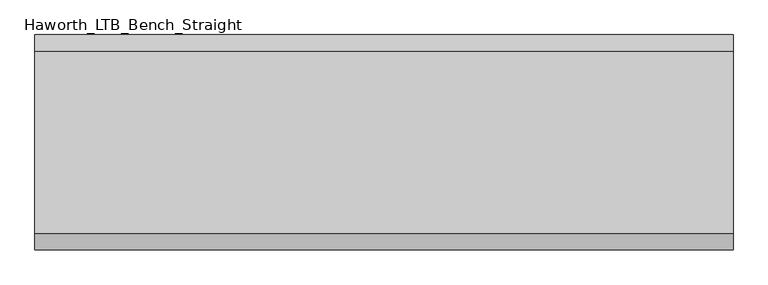
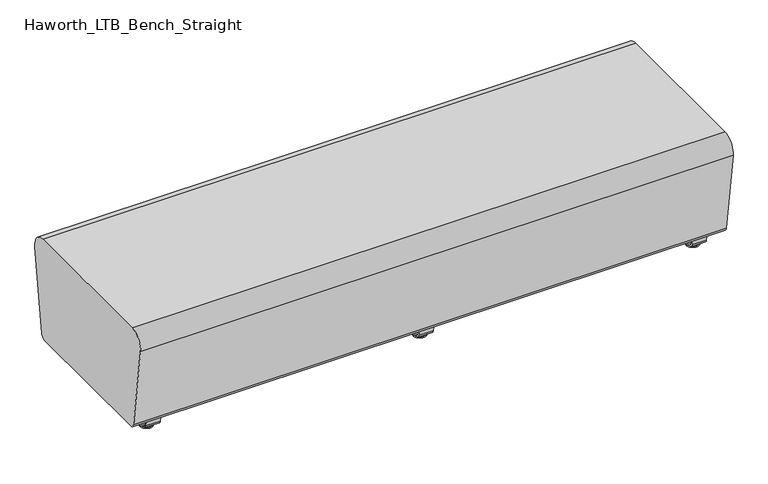
"""IFC4 building model written with IfcOpenShell, lengths in millimetres: furniture geometry, Haworth_LTB_Bench_Straight."""

from ifc_helpers import new_model, si_unit, point, frame, frame_2d, origin, place, context, project, spatial, polyline, circle_curve, ellipse_curve, trimmed, segment, composite_curve, outline, extrude, source, transform, mapped, element, save
from ifc_brep_helpers import plane_surface, cylinder_surface, revolved_surface, advanced_brep


def haworth_ltb_bench_straight_77769190(model_context):
    return source(origin(), model_context, "Body", "SolidModel", [
        advanced_brep(
        [(0.0, -211.0425052, 7.8133431), (0.0, -227.0355515, 7.8133431), (0.0, -223.8015284, 7.8133431), (0.0, -214.2765284, 7.8133431), (0.0, -197.1001513, 4.0775), (0.0, -240.9779054, 4.0775), (0.0, -197.5107026, 0.0), (0.0, -240.5673542, 0.0), (0.0, -219.0390284, 0.0), (0.0, -214.2765284, 50.0000004), (0.0, -223.8015284, 50.0000004), (0.0, -219.0390284, 50.0000004)],
        [
            (0, 1, circle_curve(frame((0.0, -219.0390284, 7.8133431), z_axis=(0.0, 0.0, 1.0), x_axis=(0.0, -1.0, 0.0)), 7.9965232)),
            (1, 2),
            (2, 3, circle_curve(frame((0.0, -219.0390284, 7.8133431), z_axis=(0.0, 0.0, -1.0), x_axis=(0.0, -1.0, 0.0)), 4.7625)),
            (3, 0),
            (1, 0, circle_curve(frame((0.0, -219.0390284, 7.8133431), z_axis=(0.0, 0.0, 1.0), x_axis=(0.0, -1.0, 0.0)), 7.9965232)),
            (3, 2, circle_curve(frame((0.0, -219.0390284, 7.8133431), z_axis=(0.0, 0.0, -1.0), x_axis=(0.0, -1.0, 0.0)), 4.7625)),
            (4, 5, circle_curve(frame((0.0, -219.0390284, 4.0775), z_axis=(0.0, 0.0, 1.0), x_axis=(0.0, -1.0, 0.0)), 21.9388771)),
            (5, 1),
            (0, 4),
            (5, 4, circle_curve(frame((0.0, -219.0390284, 4.0775), z_axis=(0.0, 0.0, 1.0), x_axis=(0.0, -1.0, 0.0)), 21.9388771)),
            (6, 7, circle_curve(frame((0.0, -219.0390284, 0.0), z_axis=(0.0, 0.0, 1.0), x_axis=(0.0, -1.0, 0.0)), 21.5283258)),
            (7, 5, circle_curve(frame((0.0, -240.4405822, 2.0721829), z_axis=(-1.0, 0.0, 0.0), x_axis=(0.0, 1.0, 0.0)), 2.0760571)),
            (4, 6, circle_curve(frame((0.0, -197.6374745, 2.0721829), z_axis=(-1.0, 0.0, 0.0), x_axis=(0.0, -1.0, 0.0)), 2.0760571)),
            (7, 6, circle_curve(frame((0.0, -219.0390284, 0.0), z_axis=(0.0, 0.0, 1.0), x_axis=(0.0, -1.0, 0.0)), 21.5283258)),
            (8, 7),
            (6, 8),
            (9, 10, circle_curve(frame((0.0, -219.0390284, 50.0000004), z_axis=(0.0, 0.0, 1.0), x_axis=(0.0, -1.0, 0.0)), 4.7625)),
            (10, 11),
            (11, 9),
            (10, 9, circle_curve(frame((0.0, -219.0390284, 50.0000004), z_axis=(0.0, 0.0, 1.0), x_axis=(0.0, -1.0, 0.0)), 4.7625)),
            (2, 10),
            (9, 3),
        ],
        [
            plane_surface(frame((0.0, -219.0390284, 7.8133431), z_axis=(0.0, 0.0, 1.0), x_axis=(0.0, -1.0, 0.0))),
            revolved_surface(polyline([(0.0, -227.0355515, 7.8133431), (0.0, -240.9779054, 4.0775)]), (0.0, -219.0390284, 0.0), (0.0, 0.0, -1.0)),
            revolved_surface(trimmed(ellipse_curve(frame((0.0, -240.4405822, 2.0721829), z_axis=(1.0, 0.0, 0.0), x_axis=(0.0, 1.0, 0.0)), 2.0760571, 2.0760571), [point((0.0, -240.9779054, 4.0775))], [point((0.0, -240.5673542, 0.0))], True, "CARTESIAN"), (0.0, -219.0390284, 0.0), (0.0, 0.0, -1.0)),
            plane_surface(frame((0.0, -219.0390284, 0.0), z_axis=(0.0, 0.0, -1.0), x_axis=(0.0, -1.0, 0.0))),
            plane_surface(frame((0.0, -219.0390284, 50.0000004), z_axis=(0.0, 0.0, 1.0), x_axis=(0.0, -1.0, 0.0))),
            cylinder_surface(frame((0.0, -219.0390284, 0.0), z_axis=(0.0, 0.0, -1.0), x_axis=(0.0, -1.0, 0.0)), 4.7625),
        ],
        [
            (0, [[1, 2, 3, 4]]),
            (0, [[5, -4, 6, -2]]),
            (1, [[7, 8, -1, 9]]),
            (1, [[10, -9, -5, -8]]),
            (2, [[11, 12, -7, 13]]),
            (2, [[14, -13, -10, -12]]),
            (3, [[15, -11, 16]]),
            (3, [[-16, -14, -15]]),
            (4, [[17, 18, 19]]),
            (4, [[20, -19, -18]]),
            (5, [[-3, 21, -17, 22]]),
            (5, [[-6, -22, -20, -21]]),
        ],
    ),
        advanced_brep(
        [(0.0, 214.2765284, 7.8133431), (0.0, 223.8015284, 7.8133431), (0.0, 227.0355515, 7.8133431), (0.0, 211.0425052, 7.8133431), (0.0, 240.9779054, 4.0775), (0.0, 197.1001513, 4.0775), (0.0, 240.5673542, 0.0), (0.0, 197.5107026, 0.0), (0.0, 219.0390284, 0.0), (0.0, 219.0390284, 50.0000004), (0.0, 223.8015284, 50.0000004), (0.0, 214.2765284, 50.0000004)],
        [
            (0, 1, circle_curve(frame((0.0, 219.0390284, 7.8133431), z_axis=(0.0, 0.0, -1.0), x_axis=(0.0, 1.0, 0.0)), 4.7625)),
            (1, 2),
            (2, 3, circle_curve(frame((0.0, 219.0390284, 7.8133431), z_axis=(0.0, 0.0, 1.0), x_axis=(0.0, 1.0, 0.0)), 7.9965232)),
            (3, 0),
            (1, 0, circle_curve(frame((0.0, 219.0390284, 7.8133431), z_axis=(0.0, 0.0, -1.0), x_axis=(0.0, 1.0, 0.0)), 4.7625)),
            (3, 2, circle_curve(frame((0.0, 219.0390284, 7.8133431), z_axis=(0.0, 0.0, 1.0), x_axis=(0.0, 1.0, 0.0)), 7.9965232)),
            (2, 4),
            (4, 5, circle_curve(frame((0.0, 219.0390284, 4.0775), z_axis=(0.0, 0.0, 1.0), x_axis=(0.0, 1.0, 0.0)), 21.9388771)),
            (5, 3),
            (5, 4, circle_curve(frame((0.0, 219.0390284, 4.0775), z_axis=(0.0, 0.0, 1.0), x_axis=(0.0, 1.0, 0.0)), 21.9388771)),
            (4, 6, circle_curve(frame((0.0, 240.4405822, 2.0721829), z_axis=(-1.0, 0.0, 0.0), x_axis=(0.0, -1.0, 0.0)), 2.0760571)),
            (6, 7, circle_curve(frame((0.0, 219.0390284, 0.0), z_axis=(0.0, 0.0, 1.0), x_axis=(0.0, 1.0, 0.0)), 21.5283258)),
            (7, 5, circle_curve(frame((0.0, 197.6374745, 2.0721829), z_axis=(-1.0, 0.0, 0.0), x_axis=(0.0, 1.0, 0.0)), 2.0760571)),
            (7, 6, circle_curve(frame((0.0, 219.0390284, 0.0), z_axis=(0.0, 0.0, 1.0), x_axis=(0.0, 1.0, 0.0)), 21.5283258)),
            (6, 8),
            (8, 7),
            (9, 10),
            (10, 11, circle_curve(frame((0.0, 219.0390284, 50.0000004), z_axis=(0.0, 0.0, 1.0), x_axis=(0.0, 1.0, 0.0)), 4.7625)),
            (11, 9),
            (11, 10, circle_curve(frame((0.0, 219.0390284, 50.0000004), z_axis=(0.0, 0.0, 1.0), x_axis=(0.0, 1.0, 0.0)), 4.7625)),
            (10, 1),
            (0, 11),
        ],
        [
            plane_surface(frame((0.0, 219.0390284, 7.8133431), z_axis=(0.0, 0.0, 1.0), x_axis=(0.0, 1.0, 0.0))),
            revolved_surface(polyline([(0.0, 240.9779054, 4.0775), (0.0, 227.0355515, 7.8133431)]), (0.0, 219.0390284, 0.0), (0.0, 0.0, 1.0)),
            revolved_surface(trimmed(ellipse_curve(frame((0.0, 240.4405822, 2.0721829), z_axis=(1.0, 0.0, 0.0), x_axis=(0.0, -1.0, 0.0)), 2.0760571, 2.0760571), [point((0.0, 240.5673542, 0.0))], [point((0.0, 240.9779054, 4.0775))], True, "CARTESIAN"), (0.0, 219.0390284, 0.0), (0.0, 0.0, 1.0)),
            plane_surface(frame((0.0, 219.0390284, 0.0), z_axis=(0.0, 0.0, -1.0), x_axis=(0.0, 1.0, 0.0))),
            plane_surface(frame((0.0, 219.0390284, 50.0000004), z_axis=(0.0, 0.0, 1.0), x_axis=(0.0, 1.0, 0.0))),
            cylinder_surface(frame((0.0, 219.0390284, 0.0), z_axis=(0.0, 0.0, 1.0), x_axis=(0.0, 1.0, 0.0)), 4.7625),
        ],
        [
            (0, [[1, 2, 3, 4]]),
            (0, [[5, -4, 6, -2]]),
            (1, [[-3, 7, 8, 9]]),
            (1, [[-6, -9, 10, -7]]),
            (2, [[-8, 11, 12, 13]]),
            (2, [[-10, -13, 14, -11]]),
            (3, [[-12, 15, 16]]),
            (3, [[-14, -16, -15]]),
            (4, [[17, 18, 19]]),
            (4, [[-19, 20, -17]]),
            (5, [[-18, 21, -1, 22]]),
            (5, [[-20, -22, -5, -21]]),
        ],
    ),
        extrude(outline(composite_curve([segment(polyline([(264.8158944, 62.9950557), (259.8853496, 27.9124042)]), True, "CONTINUOUS"), segment(trimmed(circle_curve(frame_2d((245.0313276, 30.0000007)), 15.000001), [point((259.8853496, 27.9124042))], [point((245.0313276, 14.9999997))], False, "CARTESIAN"), True, "CONTINUOUS"), segment(polyline([(245.0313276, 14.9999997), (-245.0313276, 14.9999997)]), True, "CONTINUOUS"), segment(trimmed(circle_curve(frame_2d((-245.0313276, 30.0000007)), 15.000001), [point((-245.0313276, 14.9999997))], [point((-259.8853496, 27.9124042))], False, "CARTESIAN"), True, "CONTINUOUS"), segment(polyline([(-259.8853496, 27.9124042), (-264.8158944, 62.9950557), (-259.1812615, 63.7869505), (-254.2507241, 28.7043023)]), True, "CONTINUOUS"), segment(trimmed(circle_curve(frame_2d((-245.0313262, 30.0000023)), 9.310002), [point((-254.2507241, 28.7043023))], [point((-245.0313262, 20.6900003))], True, "CARTESIAN"), True, "CONTINUOUS"), segment(polyline([(-245.0313262, 20.6900003), (245.0313262, 20.6900003)]), True, "CONTINUOUS"), segment(trimmed(circle_curve(frame_2d((245.0313262, 30.0000023)), 9.310002), [point((245.0313262, 20.6900003))], [point((254.2507241, 28.7043023))], True, "CARTESIAN"), True, "CONTINUOUS"), segment(polyline([(254.2507241, 28.7043023), (259.1812615, 63.7869505), (264.8158944, 62.9950557)]), True, "CONTINUOUS")], self_intersect=False)), frame((-25.4, 0.0, 0.0), z_axis=(1.0, 0.0, 0.0), x_axis=(0.0, 1.0, 0.0)), (0.0, 0.0, 1.0), 50.8),
        advanced_brep(
        [(971.6045358, -211.0425052, 7.8133431), (971.6045358, -227.0355515, 7.8133431), (971.6045358, -223.8015284, 7.8133431), (971.6045358, -214.2765284, 7.8133431), (971.6045358, -197.1001513, 4.0775), (971.6045358, -240.9779054, 4.0775), (971.6045358, -197.5107026, 0.0), (971.6045358, -240.5673542, 0.0), (971.6045358, -219.0390284, 0.0), (971.6045358, -214.2765284, 50.0000004), (971.6045358, -223.8015284, 50.0000004), (971.6045358, -219.0390284, 50.0000004)],
        [
            (0, 1, circle_curve(frame((971.6045358, -219.0390284, 7.8133431), z_axis=(0.0, 0.0, 1.0), x_axis=(0.0, -1.0, 0.0)), 7.9965232)),
            (1, 2),
            (2, 3, circle_curve(frame((971.6045358, -219.0390284, 7.8133431), z_axis=(0.0, 0.0, -1.0), x_axis=(0.0, -1.0, 0.0)), 4.7625)),
            (3, 0),
            (1, 0, circle_curve(frame((971.6045358, -219.0390284, 7.8133431), z_axis=(0.0, 0.0, 1.0), x_axis=(0.0, -1.0, 0.0)), 7.9965232)),
            (3, 2, circle_curve(frame((971.6045358, -219.0390284, 7.8133431), z_axis=(0.0, 0.0, -1.0), x_axis=(0.0, -1.0, 0.0)), 4.7625)),
            (4, 5, circle_curve(frame((971.6045358, -219.0390284, 4.0775), z_axis=(0.0, 0.0, 1.0), x_axis=(0.0, -1.0, 0.0)), 21.9388771)),
            (5, 1),
            (0, 4),
            (5, 4, circle_curve(frame((971.6045358, -219.0390284, 4.0775), z_axis=(0.0, 0.0, 1.0), x_axis=(0.0, -1.0, 0.0)), 21.9388771)),
            (6, 7, circle_curve(frame((971.6045358, -219.0390284, 0.0), z_axis=(0.0, 0.0, 1.0), x_axis=(0.0, -1.0, 0.0)), 21.5283258)),
            (7, 5, circle_curve(frame((971.6045358, -240.4405822, 2.0721829), z_axis=(-1.0, 0.0, 0.0), x_axis=(0.0, 1.0, 0.0)), 2.0760571)),
            (4, 6, circle_curve(frame((971.6045358, -197.6374745, 2.0721829), z_axis=(-1.0, 0.0, 0.0), x_axis=(0.0, -1.0, 0.0)), 2.0760571)),
            (7, 6, circle_curve(frame((971.6045358, -219.0390284, 0.0), z_axis=(0.0, 0.0, 1.0), x_axis=(0.0, -1.0, 0.0)), 21.5283258)),
            (8, 7),
            (6, 8),
            (9, 10, circle_curve(frame((971.6045358, -219.0390284, 50.0000004), z_axis=(0.0, 0.0, 1.0), x_axis=(0.0, -1.0, 0.0)), 4.7625)),
            (10, 11),
            (11, 9),
            (10, 9, circle_curve(frame((971.6045358, -219.0390284, 50.0000004), z_axis=(0.0, 0.0, 1.0), x_axis=(0.0, -1.0, 0.0)), 4.7625)),
            (2, 10),
            (9, 3),
        ],
        [
            plane_surface(frame((971.6045358, -219.0390284, 7.8133431), z_axis=(0.0, 0.0, 1.0), x_axis=(0.0, -1.0, 0.0))),
            revolved_surface(polyline([(971.6045358, -227.0355515, 7.8133431), (971.6045358, -240.9779054, 4.0775)]), (971.6045358, -219.0390284, 0.0), (0.0, 0.0, -1.0)),
            revolved_surface(trimmed(ellipse_curve(frame((971.6045358, -240.4405822, 2.0721829), z_axis=(1.0, 0.0, 0.0), x_axis=(0.0, 1.0, 0.0)), 2.0760571, 2.0760571), [point((971.6045358, -240.9779054, 4.0775))], [point((971.6045358, -240.5673542, 0.0))], True, "CARTESIAN"), (971.6045358, -219.0390284, 0.0), (0.0, 0.0, -1.0)),
            plane_surface(frame((971.6045358, -219.0390284, 0.0), z_axis=(0.0, 0.0, -1.0), x_axis=(0.0, -1.0, 0.0))),
            plane_surface(frame((971.6045358, -219.0390284, 50.0000004), z_axis=(0.0, 0.0, 1.0), x_axis=(0.0, -1.0, 0.0))),
            cylinder_surface(frame((971.6045358, -219.0390284, 0.0), z_axis=(0.0, 0.0, -1.0), x_axis=(0.0, -1.0, 0.0)), 4.7625),
        ],
        [
            (0, [[1, 2, 3, 4]]),
            (0, [[5, -4, 6, -2]]),
            (1, [[7, 8, -1, 9]]),
            (1, [[10, -9, -5, -8]]),
            (2, [[11, 12, -7, 13]]),
            (2, [[14, -13, -10, -12]]),
            (3, [[15, -11, 16]]),
            (3, [[-16, -14, -15]]),
            (4, [[17, 18, 19]]),
            (4, [[20, -19, -18]]),
            (5, [[-3, 21, -17, 22]]),
            (5, [[-6, -22, -20, -21]]),
        ],
    ),
        advanced_brep(
        [(971.6045358, 214.2765284, 7.8133431), (971.6045358, 223.8015284, 7.8133431), (971.6045358, 227.0355515, 7.8133431), (971.6045358, 211.0425052, 7.8133431), (971.6045358, 240.9779054, 4.0775), (971.6045358, 197.1001513, 4.0775), (971.6045358, 240.5673542, 0.0), (971.6045358, 197.5107026, 0.0), (971.6045358, 219.0390284, 0.0), (971.6045358, 219.0390284, 50.0000004), (971.6045358, 223.8015284, 50.0000004), (971.6045358, 214.2765284, 50.0000004)],
        [
            (0, 1, circle_curve(frame((971.6045358, 219.0390284, 7.8133431), z_axis=(0.0, 0.0, -1.0), x_axis=(0.0, 1.0, 0.0)), 4.7625)),
            (1, 2),
            (2, 3, circle_curve(frame((971.6045358, 219.0390284, 7.8133431), z_axis=(0.0, 0.0, 1.0), x_axis=(0.0, 1.0, 0.0)), 7.9965232)),
            (3, 0),
            (1, 0, circle_curve(frame((971.6045358, 219.0390284, 7.8133431), z_axis=(0.0, 0.0, -1.0), x_axis=(0.0, 1.0, 0.0)), 4.7625)),
            (3, 2, circle_curve(frame((971.6045358, 219.0390284, 7.8133431), z_axis=(0.0, 0.0, 1.0), x_axis=(0.0, 1.0, 0.0)), 7.9965232)),
            (2, 4),
            (4, 5, circle_curve(frame((971.6045358, 219.0390284, 4.0775), z_axis=(0.0, 0.0, 1.0), x_axis=(0.0, 1.0, 0.0)), 21.9388771)),
            (5, 3),
            (5, 4, circle_curve(frame((971.6045358, 219.0390284, 4.0775), z_axis=(0.0, 0.0, 1.0), x_axis=(0.0, 1.0, 0.0)), 21.9388771)),
            (4, 6, circle_curve(frame((971.6045358, 240.4405822, 2.0721829), z_axis=(-1.0, 0.0, 0.0), x_axis=(0.0, -1.0, 0.0)), 2.0760571)),
            (6, 7, circle_curve(frame((971.6045358, 219.0390284, 0.0), z_axis=(0.0, 0.0, 1.0), x_axis=(0.0, 1.0, 0.0)), 21.5283258)),
            (7, 5, circle_curve(frame((971.6045358, 197.6374745, 2.0721829), z_axis=(-1.0, 0.0, 0.0), x_axis=(0.0, 1.0, 0.0)), 2.0760571)),
            (7, 6, circle_curve(frame((971.6045358, 219.0390284, 0.0), z_axis=(0.0, 0.0, 1.0), x_axis=(0.0, 1.0, 0.0)), 21.5283258)),
            (6, 8),
            (8, 7),
            (9, 10),
            (10, 11, circle_curve(frame((971.6045358, 219.0390284, 50.0000004), z_axis=(0.0, 0.0, 1.0), x_axis=(0.0, 1.0, 0.0)), 4.7625)),
            (11, 9),
            (11, 10, circle_curve(frame((971.6045358, 219.0390284, 50.0000004), z_axis=(0.0, 0.0, 1.0), x_axis=(0.0, 1.0, 0.0)), 4.7625)),
            (10, 1),
            (0, 11),
        ],
        [
            plane_surface(frame((971.6045358, 219.0390284, 7.8133431), z_axis=(0.0, 0.0, 1.0), x_axis=(0.0, 1.0, 0.0))),
            revolved_surface(polyline([(971.6045358, 240.9779054, 4.0775), (971.6045358, 227.0355515, 7.8133431)]), (971.6045358, 219.0390284, 0.0), (0.0, 0.0, 1.0)),
            revolved_surface(trimmed(ellipse_curve(frame((971.6045358, 240.4405822, 2.0721829), z_axis=(1.0, 0.0, 0.0), x_axis=(0.0, -1.0, 0.0)), 2.0760571, 2.0760571), [point((971.6045358, 240.5673542, 0.0))], [point((971.6045358, 240.9779054, 4.0775))], True, "CARTESIAN"), (971.6045358, 219.0390284, 0.0), (0.0, 0.0, 1.0)),
            plane_surface(frame((971.6045358, 219.0390284, 0.0), z_axis=(0.0, 0.0, -1.0), x_axis=(0.0, 1.0, 0.0))),
            plane_surface(frame((971.6045358, 219.0390284, 50.0000004), z_axis=(0.0, 0.0, 1.0), x_axis=(0.0, 1.0, 0.0))),
            cylinder_surface(frame((971.6045358, 219.0390284, 0.0), z_axis=(0.0, 0.0, 1.0), x_axis=(0.0, 1.0, 0.0)), 4.7625),
        ],
        [
            (0, [[1, 2, 3, 4]]),
            (0, [[5, -4, 6, -2]]),
            (1, [[-3, 7, 8, 9]]),
            (1, [[-6, -9, 10, -7]]),
            (2, [[-8, 11, 12, 13]]),
            (2, [[-10, -13, 14, -11]]),
            (3, [[-12, 15, 16]]),
            (3, [[-14, -16, -15]]),
            (4, [[17, 18, 19]]),
            (4, [[-19, 20, -17]]),
            (5, [[-18, 21, -1, 22]]),
            (5, [[-20, -22, -5, -21]]),
        ],
    ),
        extrude(outline(composite_curve([segment(polyline([(264.8158944, 62.9950557), (259.8853496, 27.9124042)]), True, "CONTINUOUS"), segment(trimmed(circle_curve(frame_2d((245.0313276, 30.0000007)), 15.000001), [point((259.8853496, 27.9124042))], [point((245.0313276, 14.9999997))], False, "CARTESIAN"), True, "CONTINUOUS"), segment(polyline([(245.0313276, 14.9999997), (-245.0313276, 14.9999997)]), True, "CONTINUOUS"), segment(trimmed(circle_curve(frame_2d((-245.0313276, 30.0000007)), 15.000001), [point((-245.0313276, 14.9999997))], [point((-259.8853496, 27.9124042))], False, "CARTESIAN"), True, "CONTINUOUS"), segment(polyline([(-259.8853496, 27.9124042), (-264.8158944, 62.9950557), (-259.1812615, 63.7869505), (-254.2507241, 28.7043023)]), True, "CONTINUOUS"), segment(trimmed(circle_curve(frame_2d((-245.0313262, 30.0000023)), 9.310002), [point((-254.2507241, 28.7043023))], [point((-245.0313262, 20.6900003))], True, "CARTESIAN"), True, "CONTINUOUS"), segment(polyline([(-245.0313262, 20.6900003), (245.0313262, 20.6900003)]), True, "CONTINUOUS"), segment(trimmed(circle_curve(frame_2d((245.0313262, 30.0000023)), 9.310002), [point((245.0313262, 20.6900003))], [point((254.2507241, 28.7043023))], True, "CARTESIAN"), True, "CONTINUOUS"), segment(polyline([(254.2507241, 28.7043023), (259.1812615, 63.7869505), (264.8158944, 62.9950557)]), True, "CONTINUOUS")], self_intersect=False)), frame((946.2045358, 0.0, 0.0), z_axis=(1.0, 0.0, 0.0), x_axis=(0.0, 1.0, 0.0)), (0.0, 0.0, 1.0), 50.8),
        advanced_brep(
        [(-971.6045358, -214.2765284, 7.8133431), (-971.6045358, -223.8015284, 7.8133431), (-971.6045358, -227.0355515, 7.8133431), (-971.6045358, -211.0425052, 7.8133431), (-971.6045358, -240.9779054, 4.0775), (-971.6045358, -197.1001513, 4.0775), (-971.6045358, -240.5673542, 0.0), (-971.6045358, -197.5107026, 0.0), (-971.6045358, -219.0390284, 0.0), (-971.6045358, -219.0390284, 50.0000004), (-971.6045358, -223.8015284, 50.0000004), (-971.6045358, -214.2765284, 50.0000004)],
        [
            (0, 1, circle_curve(frame((-971.6045358, -219.0390284, 7.8133431), z_axis=(0.0, 0.0, -1.0), x_axis=(0.0, -1.0, 0.0)), 4.7625)),
            (1, 2),
            (2, 3, circle_curve(frame((-971.6045358, -219.0390284, 7.8133431), z_axis=(0.0, 0.0, 1.0), x_axis=(0.0, -1.0, 0.0)), 7.9965232)),
            (3, 0),
            (1, 0, circle_curve(frame((-971.6045358, -219.0390284, 7.8133431), z_axis=(0.0, 0.0, -1.0), x_axis=(0.0, -1.0, 0.0)), 4.7625)),
            (3, 2, circle_curve(frame((-971.6045358, -219.0390284, 7.8133431), z_axis=(0.0, 0.0, 1.0), x_axis=(0.0, -1.0, 0.0)), 7.9965232)),
            (2, 4),
            (4, 5, circle_curve(frame((-971.6045358, -219.0390284, 4.0775), z_axis=(0.0, 0.0, 1.0), x_axis=(0.0, -1.0, 0.0)), 21.9388771)),
            (5, 3),
            (5, 4, circle_curve(frame((-971.6045358, -219.0390284, 4.0775), z_axis=(0.0, 0.0, 1.0), x_axis=(0.0, -1.0, 0.0)), 21.9388771)),
            (4, 6, circle_curve(frame((-971.6045358, -240.4405822, 2.0721829), z_axis=(1.0, 0.0, 0.0), x_axis=(0.0, 1.0, 0.0)), 2.0760571)),
            (6, 7, circle_curve(frame((-971.6045358, -219.0390284, 0.0), z_axis=(0.0, 0.0, 1.0), x_axis=(0.0, -1.0, 0.0)), 21.5283258)),
            (7, 5, circle_curve(frame((-971.6045358, -197.6374745, 2.0721829), z_axis=(1.0, 0.0, 0.0), x_axis=(0.0, -1.0, 0.0)), 2.0760571)),
            (7, 6, circle_curve(frame((-971.6045358, -219.0390284, 0.0), z_axis=(0.0, 0.0, 1.0), x_axis=(0.0, -1.0, 0.0)), 21.5283258)),
            (6, 8),
            (8, 7),
            (9, 10),
            (10, 11, circle_curve(frame((-971.6045358, -219.0390284, 50.0000004), z_axis=(0.0, 0.0, 1.0), x_axis=(0.0, -1.0, 0.0)), 4.7625)),
            (11, 9),
            (11, 10, circle_curve(frame((-971.6045358, -219.0390284, 50.0000004), z_axis=(0.0, 0.0, 1.0), x_axis=(0.0, -1.0, 0.0)), 4.7625)),
            (10, 1),
            (0, 11),
        ],
        [
            plane_surface(frame((-971.6045358, -219.0390284, 7.8133431), z_axis=(0.0, 0.0, 1.0), x_axis=(0.0, -1.0, 0.0))),
            revolved_surface(polyline([(-971.6045358, -240.9779054, 4.0775), (-971.6045358, -227.0355515, 7.8133431)]), (-971.6045358, -219.0390284, 0.0), (0.0, 0.0, 1.0)),
            revolved_surface(trimmed(ellipse_curve(frame((-971.6045358, -240.4405822, 2.0721829), z_axis=(-1.0, 0.0, 0.0), x_axis=(0.0, 1.0, 0.0)), 2.0760571, 2.0760571), [point((-971.6045358, -240.5673542, 0.0))], [point((-971.6045358, -240.9779054, 4.0775))], True, "CARTESIAN"), (-971.6045358, -219.0390284, 0.0), (0.0, 0.0, 1.0)),
            plane_surface(frame((-971.6045358, -219.0390284, 0.0), z_axis=(0.0, 0.0, -1.0), x_axis=(0.0, -1.0, 0.0))),
            plane_surface(frame((-971.6045358, -219.0390284, 50.0000004), z_axis=(0.0, 0.0, 1.0), x_axis=(0.0, -1.0, 0.0))),
            cylinder_surface(frame((-971.6045358, -219.0390284, 0.0), z_axis=(0.0, 0.0, 1.0), x_axis=(0.0, -1.0, 0.0)), 4.7625),
        ],
        [
            (0, [[1, 2, 3, 4]]),
            (0, [[5, -4, 6, -2]]),
            (1, [[-3, 7, 8, 9]]),
            (1, [[-6, -9, 10, -7]]),
            (2, [[-8, 11, 12, 13]]),
            (2, [[-10, -13, 14, -11]]),
            (3, [[-12, 15, 16]]),
            (3, [[-14, -16, -15]]),
            (4, [[17, 18, 19]]),
            (4, [[-19, 20, -17]]),
            (5, [[-18, 21, -1, 22]]),
            (5, [[-20, -22, -5, -21]]),
        ],
    ),
        advanced_brep(
        [(-971.6045358, 211.0425052, 7.8133431), (-971.6045358, 227.0355515, 7.8133431), (-971.6045358, 223.8015284, 7.8133431), (-971.6045358, 214.2765284, 7.8133431), (-971.6045358, 197.1001513, 4.0775), (-971.6045358, 240.9779054, 4.0775), (-971.6045358, 197.5107026, 0.0), (-971.6045358, 240.5673542, 0.0), (-971.6045358, 219.0390284, 0.0), (-971.6045358, 214.2765284, 50.0000004), (-971.6045358, 223.8015284, 50.0000004), (-971.6045358, 219.0390284, 50.0000004)],
        [
            (0, 1, circle_curve(frame((-971.6045358, 219.0390284, 7.8133431), z_axis=(0.0, 0.0, 1.0), x_axis=(0.0, 1.0, 0.0)), 7.9965232)),
            (1, 2),
            (2, 3, circle_curve(frame((-971.6045358, 219.0390284, 7.8133431), z_axis=(0.0, 0.0, -1.0), x_axis=(0.0, 1.0, 0.0)), 4.7625)),
            (3, 0),
            (1, 0, circle_curve(frame((-971.6045358, 219.0390284, 7.8133431), z_axis=(0.0, 0.0, 1.0), x_axis=(0.0, 1.0, 0.0)), 7.9965232)),
            (3, 2, circle_curve(frame((-971.6045358, 219.0390284, 7.8133431), z_axis=(0.0, 0.0, -1.0), x_axis=(0.0, 1.0, 0.0)), 4.7625)),
            (4, 5, circle_curve(frame((-971.6045358, 219.0390284, 4.0775), z_axis=(0.0, 0.0, 1.0), x_axis=(0.0, 1.0, 0.0)), 21.9388771)),
            (5, 1),
            (0, 4),
            (5, 4, circle_curve(frame((-971.6045358, 219.0390284, 4.0775), z_axis=(0.0, 0.0, 1.0), x_axis=(0.0, 1.0, 0.0)), 21.9388771)),
            (6, 7, circle_curve(frame((-971.6045358, 219.0390284, 0.0), z_axis=(0.0, 0.0, 1.0), x_axis=(0.0, 1.0, 0.0)), 21.5283258)),
            (7, 5, circle_curve(frame((-971.6045358, 240.4405822, 2.0721829), z_axis=(1.0, 0.0, 0.0), x_axis=(0.0, -1.0, 0.0)), 2.0760571)),
            (4, 6, circle_curve(frame((-971.6045358, 197.6374745, 2.0721829), z_axis=(1.0, 0.0, 0.0), x_axis=(0.0, 1.0, 0.0)), 2.0760571)),
            (7, 6, circle_curve(frame((-971.6045358, 219.0390284, 0.0), z_axis=(0.0, 0.0, 1.0), x_axis=(0.0, 1.0, 0.0)), 21.5283258)),
            (8, 7),
            (6, 8),
            (9, 10, circle_curve(frame((-971.6045358, 219.0390284, 50.0000004), z_axis=(0.0, 0.0, 1.0), x_axis=(0.0, 1.0, 0.0)), 4.7625)),
            (10, 11),
            (11, 9),
            (10, 9, circle_curve(frame((-971.6045358, 219.0390284, 50.0000004), z_axis=(0.0, 0.0, 1.0), x_axis=(0.0, 1.0, 0.0)), 4.7625)),
            (2, 10),
            (9, 3),
        ],
        [
            plane_surface(frame((-971.6045358, 219.0390284, 7.8133431), z_axis=(0.0, 0.0, 1.0), x_axis=(0.0, 1.0, 0.0))),
            revolved_surface(polyline([(-971.6045358, 227.0355515, 7.8133431), (-971.6045358, 240.9779054, 4.0775)]), (-971.6045358, 219.0390284, 0.0), (0.0, 0.0, -1.0)),
            revolved_surface(trimmed(ellipse_curve(frame((-971.6045358, 240.4405822, 2.0721829), z_axis=(-1.0, 0.0, 0.0), x_axis=(0.0, -1.0, 0.0)), 2.0760571, 2.0760571), [point((-971.6045358, 240.9779054, 4.0775))], [point((-971.6045358, 240.5673542, 0.0))], True, "CARTESIAN"), (-971.6045358, 219.0390284, 0.0), (0.0, 0.0, -1.0)),
            plane_surface(frame((-971.6045358, 219.0390284, 0.0), z_axis=(0.0, 0.0, -1.0), x_axis=(0.0, 1.0, 0.0))),
            plane_surface(frame((-971.6045358, 219.0390284, 50.0000004), z_axis=(0.0, 0.0, 1.0), x_axis=(0.0, 1.0, 0.0))),
            cylinder_surface(frame((-971.6045358, 219.0390284, 0.0), z_axis=(0.0, 0.0, -1.0), x_axis=(0.0, 1.0, 0.0)), 4.7625),
        ],
        [
            (0, [[1, 2, 3, 4]]),
            (0, [[5, -4, 6, -2]]),
            (1, [[7, 8, -1, 9]]),
            (1, [[10, -9, -5, -8]]),
            (2, [[11, 12, -7, 13]]),
            (2, [[14, -13, -10, -12]]),
            (3, [[15, -11, 16]]),
            (3, [[-16, -14, -15]]),
            (4, [[17, 18, 19]]),
            (4, [[20, -19, -18]]),
            (5, [[-3, 21, -17, 22]]),
            (5, [[-6, -22, -20, -21]]),
        ],
    ),
        extrude(outline(composite_curve([segment(polyline([(264.8158944, 62.9950557), (259.8853496, 27.9124042)]), True, "CONTINUOUS"), segment(trimmed(circle_curve(frame_2d((245.0313276, 30.0000007)), 15.000001), [point((259.8853496, 27.9124042))], [point((245.0313276, 14.9999997))], False, "CARTESIAN"), True, "CONTINUOUS"), segment(polyline([(245.0313276, 14.9999997), (-245.0313276, 14.9999997)]), True, "CONTINUOUS"), segment(trimmed(circle_curve(frame_2d((-245.0313276, 30.0000007)), 15.000001), [point((-245.0313276, 14.9999997))], [point((-259.8853496, 27.9124042))], False, "CARTESIAN"), True, "CONTINUOUS"), segment(polyline([(-259.8853496, 27.9124042), (-264.8158944, 62.9950557), (-259.1812615, 63.7869505), (-254.2507241, 28.7043023)]), True, "CONTINUOUS"), segment(trimmed(circle_curve(frame_2d((-245.0313262, 30.0000023)), 9.310002), [point((-254.2507241, 28.7043023))], [point((-245.0313262, 20.6900003))], True, "CARTESIAN"), True, "CONTINUOUS"), segment(polyline([(-245.0313262, 20.6900003), (245.0313262, 20.6900003)]), True, "CONTINUOUS"), segment(trimmed(circle_curve(frame_2d((245.0313262, 30.0000023)), 9.310002), [point((245.0313262, 20.6900003))], [point((254.2507241, 28.7043023))], True, "CARTESIAN"), True, "CONTINUOUS"), segment(polyline([(254.2507241, 28.7043023), (259.1812615, 63.7869505), (264.8158944, 62.9950557)]), True, "CONTINUOUS")], self_intersect=False)), frame((-997.0045358, 0.0, 0.0), z_axis=(1.0, 0.0, 0.0), x_axis=(0.0, 1.0, 0.0)), (0.0, 0.0, 1.0), 50.8),
        extrude(outline(composite_curve([segment(trimmed(circle_curve(frame_2d((264.0390314, 68.9999996)), 18.9999992), [point((282.8541239, 66.3557108))], [point((264.0390314, 50.0000004))], False, "CARTESIAN"), True, "CONTINUOUS"), segment(polyline([(264.0390314, 50.0000004), (-264.0390314, 50.0000004)]), True, "CONTINUOUS"), segment(trimmed(circle_curve(frame_2d((-264.0390314, 68.9999996)), 18.9999992), [point((-264.0390314, 50.0000004))], [point((-282.8541239, 66.3557108))], False, "CARTESIAN"), True, "CONTINUOUS"), segment(polyline([(-282.8541239, 66.3557108), (-325.0457699, 366.5648734)]), True, "CONTINUOUS"), segment(trimmed(circle_curve(frame_2d((-274.2488862, 373.7039098)), 51.2960938), [point((-325.0457699, 366.5648734))], [point((-274.2488862, 425.0000035))], False, "CARTESIAN"), True, "CONTINUOUS"), segment(polyline([(-274.2488862, 425.0000035), (274.2488862, 425.0000035)]), True, "CONTINUOUS"), segment(trimmed(circle_curve(frame_2d((274.2488862, 373.7039098)), 51.2960937), [point((274.2488862, 425.0000035))], [point((325.0457699, 366.5648734))], False, "CARTESIAN"), True, "CONTINUOUS"), segment(polyline([(325.0457699, 366.5648734), (282.8541239, 66.3557108)]), True, "CONTINUOUS")], self_intersect=False)), frame((-1054.1, 0.0, 0.0), z_axis=(1.0, 0.0, 0.0), x_axis=(0.0, 1.0, 0.0)), (0.0, 0.0, 1.0), 2108.2),
    ])


if __name__ == "__main__":
    model = new_model("IFC4")
    model_context = context("Model", 3, world=origin())
    ifc_project = project(units=[si_unit("LENGTHUNIT", "METRE", prefix="MILLI")], contexts=[model_context])
    site = spatial("IfcSite", under=ifc_project)
    building = spatial("IfcBuilding", under=site)
    placement = place(None, origin())
    haworth_ltb_bench_straight_shape = haworth_ltb_bench_straight_77769190(model_context)
    element("IfcFurniture", 1, ObjectType="Haworth_LTB_Bench_Straight", at=placement, inside=building, context=model_context, shape_type="MappedRepresentation", body=[
        mapped(haworth_ltb_bench_straight_shape, transform((0.0, 0.0, 0.0), x_axis=(1.0, 0.0, 0.0), y_axis=(0.0, 1.0, 0.0), z_axis=(0.0, 0.0, 1.0))),
    ])
    save(model, "model.ifc")
